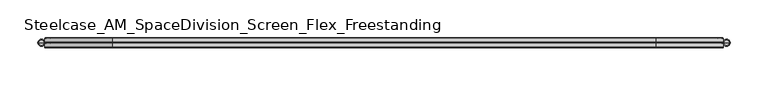
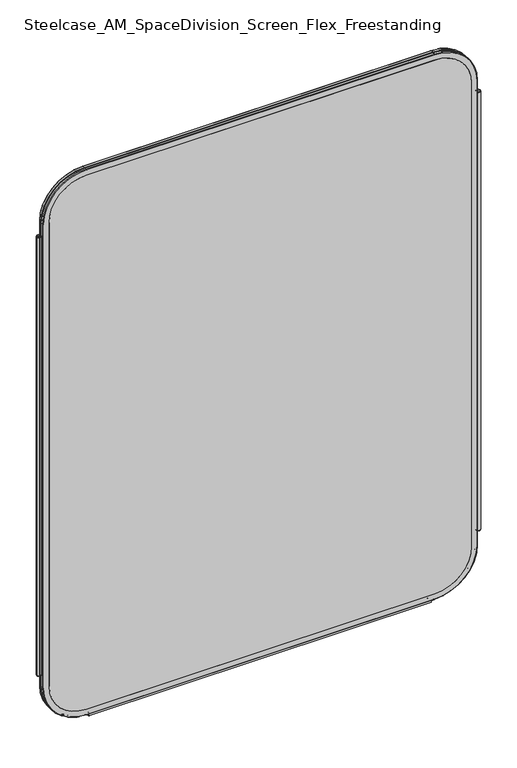
"""IFC4 building model written with IfcOpenShell, lengths in millimetres: furniture geometry, Steelcase_AM_SpaceDivision_Screen_Flex_Freestanding."""

from ifc_helpers import new_model, si_unit, point, frame, frame_2d, origin, place, context, project, spatial, polyline, circle_curve, ellipse_curve, trimmed, segment, composite_curve, outline, extrude, source, transform, mapped, element, save
from ifc_brep_helpers import plane_surface, cylinder_surface, revolved_surface, advanced_brep


def steelcase_am_spacedivision_screen_flex_freestanding_eec10b04(model_context):
    return source(origin(), model_context, "Body", "SolidModel", [
        advanced_brep(
        [(913.13, 0.0, 1078.23), (906.5294661, 0.0, 1078.23), (909.829733, 0.0, 1078.23), (914.4, 0.0, 1076.96), (905.2594661, 0.0, 1076.96), (914.4, 0.0, 121.92), (905.2594661, 0.0, 121.92), (913.13, 0.0, 120.65), (906.5294661, 0.0, 120.65), (909.829733, 0.0, 120.65)],
        [
            (0, 1, circle_curve(frame((909.829733, 0.0, 1078.23), z_axis=(0.0, 0.0, 1.0), x_axis=(-1.0, 0.0, 0.0)), 3.300267)),
            (1, 2),
            (2, 0),
            (1, 0, circle_curve(frame((909.829733, 0.0, 1078.23), z_axis=(0.0, 0.0, 1.0), x_axis=(-1.0, 0.0, 0.0)), 3.300267)),
            (3, 4, circle_curve(frame((909.829733, 0.0, 1076.96), z_axis=(0.0, 0.0, 1.0), x_axis=(-1.0, 0.0, 0.0)), 4.570267)),
            (4, 1, circle_curve(frame((906.5294661, 0.0, 1076.96), z_axis=(0.0, 1.0, 0.0), x_axis=(1.0, 0.0, 0.0)), 1.27)),
            (0, 3, circle_curve(frame((913.13, 0.0, 1076.96), z_axis=(0.0, 1.0, 0.0), x_axis=(-1.0, 0.0, 0.0)), 1.27)),
            (4, 3, circle_curve(frame((909.829733, 0.0, 1076.96), z_axis=(0.0, 0.0, 1.0), x_axis=(-1.0, 0.0, 0.0)), 4.570267)),
            (5, 6, circle_curve(frame((909.829733, 0.0, 121.92), z_axis=(0.0, 0.0, 1.0), x_axis=(-1.0, 0.0, 0.0)), 4.570267)),
            (6, 4),
            (3, 5),
            (6, 5, circle_curve(frame((909.829733, 0.0, 121.92), z_axis=(0.0, 0.0, 1.0), x_axis=(-1.0, 0.0, 0.0)), 4.570267)),
            (7, 8, circle_curve(frame((909.829733, 0.0, 120.65), z_axis=(0.0, 0.0, 1.0), x_axis=(-1.0, 0.0, 0.0)), 3.300267)),
            (8, 6, circle_curve(frame((906.5294661, 0.0, 121.92), z_axis=(0.0, 1.0, 0.0), x_axis=(1.0, 0.0, 0.0)), 1.27)),
            (5, 7, circle_curve(frame((913.13, 0.0, 121.92), z_axis=(0.0, 1.0, 0.0), x_axis=(-1.0, 0.0, 0.0)), 1.27)),
            (8, 7, circle_curve(frame((909.829733, 0.0, 120.65), z_axis=(0.0, 0.0, 1.0), x_axis=(-1.0, 0.0, 0.0)), 3.300267)),
            (9, 8),
            (7, 9),
        ],
        [
            plane_surface(frame((909.829733, 0.0, 1078.23), z_axis=(0.0, 0.0, 1.0), x_axis=(-1.0, 0.0, 0.0))),
            revolved_surface(trimmed(ellipse_curve(frame((906.5294661, 0.0, 1076.96), z_axis=(0.0, -1.0, 0.0), x_axis=(1.0, 0.0, 0.0)), 1.27, 1.27), [point((906.5294661, 0.0, 1078.23))], [point((905.2594661, 0.0, 1076.96))], True, "CARTESIAN"), (909.829733, 0.0, 112.3021634), (0.0, 0.0, -1.0)),
            cylinder_surface(frame((909.829733, 0.0, 112.3021634), z_axis=(0.0, 0.0, -1.0), x_axis=(-1.0, 0.0, 0.0)), 4.570267),
            revolved_surface(trimmed(ellipse_curve(frame((906.5294661, 0.0, 121.92), z_axis=(0.0, -1.0, 0.0), x_axis=(1.0, 0.0, 0.0)), 1.27, 1.27), [point((905.2594661, 0.0, 121.92))], [point((906.5294661, 0.0, 120.65))], True, "CARTESIAN"), (909.829733, 0.0, 112.3021634), (0.0, 0.0, -1.0)),
            plane_surface(frame((909.829733, 0.0, 120.65), z_axis=(0.0, 0.0, -1.0), x_axis=(-1.0, 0.0, 0.0))),
        ],
        [
            (0, [[1, 2, 3]]),
            (0, [[4, -3, -2]]),
            (1, [[5, 6, -1, 7]]),
            (1, [[8, -7, -4, -6]]),
            (2, [[9, 10, -5, 11]]),
            (2, [[12, -11, -8, -10]]),
            (3, [[13, 14, -9, 15]]),
            (3, [[16, -15, -12, -14]]),
            (4, [[17, -13, 18]]),
            (4, [[-18, -16, -17]]),
        ],
    ),
        advanced_brep(
        [(7.9329041, 0.0, 120.65), (1.232448, 0.0, 120.65), (0.0, 0.0, 121.882448), (9.1653521, 0.0, 121.882448), (4.582676, 0.0, 120.65), (7.8953521, 0.0, 1078.23), (1.27, 0.0, 1078.23), (4.582676, 0.0, 1078.23), (9.1653521, 0.0, 1076.96), (0.0, 0.0, 1076.96)],
        [
            (0, 1, circle_curve(frame((4.582676, 0.0, 120.65), z_axis=(0.0, 0.0, 1.0), x_axis=(-1.0, 0.0, 0.0)), 3.3502281)),
            (1, 2, circle_curve(frame((1.232448, 0.0, 121.882448), z_axis=(0.0, 1.0, 0.0), x_axis=(1.0, 0.0, 0.0)), 1.232448)),
            (2, 3, circle_curve(frame((4.582676, 0.0, 121.882448), z_axis=(0.0, 0.0, -1.0), x_axis=(-1.0, 0.0, 0.0)), 4.582676)),
            (3, 0, circle_curve(frame((7.9329041, 0.0, 121.882448), z_axis=(0.0, 1.0, 0.0), x_axis=(-1.0, 0.0, 0.0)), 1.232448)),
            (1, 0, circle_curve(frame((4.582676, 0.0, 120.65), z_axis=(0.0, 0.0, 1.0), x_axis=(-1.0, 0.0, 0.0)), 3.3502281)),
            (3, 2, circle_curve(frame((4.582676, 0.0, 121.882448), z_axis=(0.0, 0.0, -1.0), x_axis=(-1.0, 0.0, 0.0)), 4.582676)),
            (4, 1),
            (0, 4),
            (5, 6, circle_curve(frame((4.582676, 0.0, 1078.23), z_axis=(0.0, 0.0, 1.0), x_axis=(-1.0, 0.0, 0.0)), 3.312676)),
            (6, 7),
            (7, 5),
            (6, 5, circle_curve(frame((4.582676, 0.0, 1078.23), z_axis=(0.0, 0.0, 1.0), x_axis=(-1.0, 0.0, 0.0)), 3.312676)),
            (8, 9, circle_curve(frame((4.582676, 0.0, 1076.96), z_axis=(0.0, 0.0, 1.0), x_axis=(-1.0, 0.0, 0.0)), 4.582676)),
            (9, 6, circle_curve(frame((1.27, 0.0, 1076.96), z_axis=(0.0, 1.0, 0.0), x_axis=(1.0, 0.0, 0.0)), 1.27)),
            (5, 8, circle_curve(frame((7.8953521, 0.0, 1076.96), z_axis=(0.0, 1.0, 0.0), x_axis=(-1.0, 0.0, 0.0)), 1.27)),
            (9, 8, circle_curve(frame((4.582676, 0.0, 1076.96), z_axis=(0.0, 0.0, 1.0), x_axis=(-1.0, 0.0, 0.0)), 4.582676)),
            (2, 9),
            (8, 3),
        ],
        [
            revolved_surface(trimmed(ellipse_curve(frame((1.232448, 0.0, 121.882448), z_axis=(0.0, -1.0, 0.0), x_axis=(1.0, 0.0, 0.0)), 1.232448, 1.232448), [point((0.0, 0.0, 121.882448))], [point((1.232448, 0.0, 120.65))], True, "CARTESIAN"), (4.582676, 0.0, 110.6453157), (0.0, 0.0, -1.0)),
            plane_surface(frame((4.582676, 0.0, 120.65), z_axis=(0.0, 0.0, -1.0), x_axis=(-1.0, 0.0, 0.0))),
            plane_surface(frame((4.582676, 0.0, 1078.23), z_axis=(0.0, 0.0, 1.0), x_axis=(-1.0, 0.0, 0.0))),
            revolved_surface(trimmed(ellipse_curve(frame((1.27, 0.0, 1076.96), z_axis=(0.0, -1.0, 0.0), x_axis=(1.0, 0.0, 0.0)), 1.27, 1.27), [point((1.27, 0.0, 1078.23))], [point((0.0, 0.0, 1076.96))], True, "CARTESIAN"), (4.582676, 0.0, 110.6453157), (0.0, 0.0, -1.0)),
            cylinder_surface(frame((4.582676, 0.0, 110.6453157), z_axis=(0.0, 0.0, -1.0), x_axis=(-1.0, 0.0, 0.0)), 4.582676),
        ],
        [
            (0, [[1, 2, 3, 4]]),
            (0, [[5, -4, 6, -2]]),
            (1, [[7, -1, 8]]),
            (1, [[-8, -5, -7]]),
            (2, [[9, 10, 11]]),
            (2, [[12, -11, -10]]),
            (3, [[13, 14, -9, 15]]),
            (3, [[16, -15, -12, -14]]),
            (4, [[-3, 17, -13, 18]]),
            (4, [[-6, -18, -16, -17]]),
        ],
    ),
        extrude(outline(composite_curve([segment(trimmed(circle_curve(frame_2d((3.5, 2.4751953)), 2.5), [point((3.5, 4.9751953))], [point((1.4656663, 1.0220998))], False, "CARTESIAN"), True, "CONTINUOUS"), segment(trimmed(circle_curve(frame_2d((0.0, -0.0248047)), 1.8011626), [point((1.4656663, 1.0220998))], [point((-1.4656663, 1.0220998))], True, "CARTESIAN"), True, "CONTINUOUS"), segment(trimmed(circle_curve(frame_2d((-3.5, 2.4751953)), 2.5), [point((-1.4656663, 1.0220998))], [point((-3.5, 4.9751953))], False, "CARTESIAN"), True, "CONTINUOUS"), segment(trimmed(circle_curve(frame_2d((-3.5, 4.4751953)), 0.5), [point((-3.5, 4.9751953))], [point((-3.5, 3.9751953))], False, "CARTESIAN"), True, "CONTINUOUS"), segment(trimmed(circle_curve(frame_2d((-3.5, 2.4751953)), 1.5), [point((-3.5, 3.9751953))], [point((-2.3025096, 1.5718589))], True, "CARTESIAN"), True, "CONTINUOUS"), segment(trimmed(circle_curve(frame_2d((-10.3325937, 7.629417)), 10.0586411), [point((-2.3025096, 1.5718589))], [point((-0.714976, 4.6836248))], True, "CARTESIAN"), True, "CONTINUOUS"), segment(trimmed(circle_curve(frame_2d((0.0, 4.4646339)), 0.7477618), [point((-0.714976, 4.6836248))], [point((0.714976, 4.6836248))], False, "CARTESIAN"), True, "CONTINUOUS"), segment(trimmed(circle_curve(frame_2d((10.3325937, 7.629417)), 10.0586411), [point((0.714976, 4.6836248))], [point((2.3025096, 1.5718589))], True, "CARTESIAN"), True, "CONTINUOUS"), segment(trimmed(circle_curve(frame_2d((3.5, 2.4751953)), 1.5), [point((2.3025096, 1.5718589))], [point((3.5, 3.9751953))], True, "CARTESIAN"), True, "CONTINUOUS"), segment(trimmed(circle_curve(frame_2d((3.5, 4.4751953)), 0.5), [point((3.5, 3.9751953))], [point((3.5, 4.9751953))], False, "CARTESIAN"), True, "CONTINUOUS")], self_intersect=False)), frame((104.1640108, 0.0, 0.0), z_axis=(1.0, 0.0, 0.0), x_axis=(0.0, 1.0, 0.0)), (0.0, 0.0, 1.0), 706.0719784),
        extrude(outline(composite_curve([segment(trimmed(circle_curve(frame_2d((1104.9, 816.3594661)), 76.2), [point((1104.9, 892.5594661))], [point((1181.1, 816.3594661))], False, "CARTESIAN"), True, "CONTINUOUS"), segment(polyline([(1181.1, 816.3594661), (1181.1, 98.0653521)]), True, "CONTINUOUS"), segment(trimmed(circle_curve(frame_2d((1104.9, 98.0653521)), 76.2), [point((1181.1, 98.0653521))], [point((1104.9, 21.8653521))], False, "CARTESIAN"), True, "CONTINUOUS"), segment(polyline([(1104.9, 21.8653521), (93.8996464, 21.8653521)]), True, "CONTINUOUS"), segment(trimmed(circle_curve(frame_2d((93.8996464, 98.0653521)), 76.2), [point((93.8996464, 21.8653521))], [point((17.6996464, 98.0653521))], False, "CARTESIAN"), True, "CONTINUOUS"), segment(polyline([(17.6996464, 98.0653521), (17.6996464, 816.3594661)]), True, "CONTINUOUS"), segment(trimmed(circle_curve(frame_2d((93.8996464, 816.3594661)), 76.2), [point((17.6996464, 816.3594661))], [point((93.8996464, 892.5594661))], False, "CARTESIAN"), True, "CONTINUOUS"), segment(polyline([(93.8996464, 892.5594661), (1104.9, 892.5594661)]), True, "CONTINUOUS")], self_intersect=False)), frame((0.0, -6.477, 0.0), z_axis=(0.0, 1.0, 0.0), x_axis=(0.0, 0.0, 1.0)), (0.0, 0.0, 1.0), 12.954),
        advanced_brep(
        [(98.0653521, -6.477, 1181.1), (21.8653521, -6.477, 1104.9), (21.8653521, 6.477, 1104.9), (98.0653521, 6.477, 1181.1), (98.0653521, -5.715, 1193.8), (9.1653521, -5.715, 1104.9), (9.9273521, -6.477, 1104.9), (98.0653521, -6.477, 1193.038), (98.0653521, -0.8129491, 1193.8), (9.1653521, -0.8129491, 1104.9), (98.0653521, 0.0, 1193.2093579), (9.7559942, 0.0, 1104.9), (98.0653521, 0.8129491, 1193.8), (9.1653521, 0.8129491, 1104.9), (98.0653521, 5.715, 1193.8), (9.1653521, 5.715, 1104.9), (98.0653521, 6.477, 1193.038), (9.9273521, 6.477, 1104.9), (816.3594661, 6.477, 1181.1), (816.3594661, -6.477, 1181.1), (816.3594661, -6.477, 1193.038), (816.3594661, -5.715, 1193.8), (816.3594661, -0.8129491, 1193.8), (816.3594661, 0.0, 1193.2093579), (816.3594661, 0.8129491, 1193.8), (816.3594661, 5.715, 1193.8), (816.3594661, 6.477, 1193.038), (892.5594661, -6.477, 1104.9), (892.5594661, 6.477, 1104.9), (905.2594661, -5.715, 1104.9), (904.4974661, -6.477, 1104.9), (905.2594661, -0.8129491, 1104.9), (904.6688239, 0.0, 1104.9), (905.2594661, 0.8129491, 1104.9), (905.2594661, 5.715, 1104.9), (904.4974661, 6.477, 1104.9), (892.5594661, 6.477, 93.8996464), (892.5594661, -6.477, 93.8996464), (904.4974661, -6.477, 93.8996464), (905.2594661, -5.715, 93.8996464), (905.2594661, -0.8129491, 93.8996464), (904.6688239, 0.0, 93.8996464), (905.2594661, 0.8129491, 93.8996464), (905.2594661, 5.715, 93.8996464), (904.4974661, 6.477, 93.8996464), (816.3594661, -6.477, 17.6996464), (816.3594661, 6.477, 17.6996464), (816.3594661, -5.715, 4.9996464), (816.3594661, -6.477, 5.7616464), (816.3594661, -0.8129491, 4.9996464), (816.3594661, 0.0, 5.5902885), (816.3594661, 0.8129491, 4.9996464), (816.3594661, 5.715, 4.9996464), (816.3594661, 6.477, 5.7616464), (98.0653521, 6.477, 17.6996464), (98.0653521, -6.477, 17.6996464), (98.0653521, -6.477, 5.7616464), (98.0653521, -5.715, 4.9996464), (98.0653521, -0.8129491, 4.9996464), (98.0653521, 0.0, 5.5902885), (98.0653521, 0.8129491, 4.9996464), (98.0653521, 5.715, 4.9996464), (98.0653521, 6.477, 5.7616464), (21.8653521, -6.477, 93.8996464), (21.8653521, 6.477, 93.8996464), (9.1653521, -5.715, 93.8996464), (9.9273521, -6.477, 93.8996464), (9.1653521, -0.8129491, 93.8996464), (9.7559942, 0.0, 93.8996464), (9.1653521, 0.8129491, 93.8996464), (9.1653521, 5.715, 93.8996464), (9.9273521, 6.477, 93.8996464)],
        [
            (0, 1, circle_curve(frame((98.0653521, -6.477, 1104.9), z_axis=(0.0, -1.0, 0.0), x_axis=(-1.0, 0.0, 0.0)), 76.2)),
            (1, 2),
            (2, 3, circle_curve(frame((98.0653521, 6.477, 1104.9), z_axis=(0.0, 1.0, 0.0), x_axis=(-1.0, 0.0, 0.0)), 76.2)),
            (3, 0),
            (4, 5, circle_curve(frame((98.0653521, -5.715, 1104.9), z_axis=(0.0, -1.0, 0.0), x_axis=(-1.0, 0.0, 0.0)), 88.9)),
            (5, 6, circle_curve(frame((9.9273521, -5.715, 1104.9), z_axis=(0.0, 0.0, 1.0), x_axis=(-1.0, 0.0, 0.0)), 0.762)),
            (6, 7, circle_curve(frame((98.0653521, -6.477, 1104.9), z_axis=(0.0, 1.0, 0.0), x_axis=(-1.0, 0.0, 0.0)), 88.138)),
            (7, 4, circle_curve(frame((98.0653521, -5.715, 1193.038), z_axis=(-1.0, 0.0, 0.0), x_axis=(0.0, 0.0, 1.0)), 0.762)),
            (8, 9, circle_curve(frame((98.0653521, -0.8129491, 1104.9), z_axis=(0.0, -1.0, 0.0), x_axis=(-1.0, 0.0, 0.0)), 88.9)),
            (9, 5),
            (4, 8),
            (10, 11, circle_curve(frame((98.0653521, 0.0, 1104.9), z_axis=(0.0, -1.0, 0.0), x_axis=(-1.0, 0.0, 0.0)), 88.3093579)),
            (11, 9, circle_curve(frame((10.0201374, -0.8129491, 1104.9), z_axis=(0.0, 0.0, 1.0), x_axis=(-1.0, 0.0, 0.0)), 0.8547853)),
            (8, 10, circle_curve(frame((98.0653521, -0.8129491, 1192.9452147), z_axis=(-1.0, 0.0, 0.0), x_axis=(0.0, 0.0, 1.0)), 0.8547853)),
            (12, 13, circle_curve(frame((98.0653521, 0.8129491, 1104.9), z_axis=(0.0, -1.0, 0.0), x_axis=(-1.0, 0.0, 0.0)), 88.9)),
            (13, 11, circle_curve(frame((10.0201374, 0.8129491, 1104.9), z_axis=(0.0, 0.0, 1.0), x_axis=(-1.0, 0.0, 0.0)), 0.8547853)),
            (10, 12, circle_curve(frame((98.0653521, 0.8129491, 1192.9452147), z_axis=(-1.0, 0.0, 0.0), x_axis=(0.0, 0.0, 1.0)), 0.8547853)),
            (14, 15, circle_curve(frame((98.0653521, 5.715, 1104.9), z_axis=(0.0, -1.0, 0.0), x_axis=(-1.0, 0.0, 0.0)), 88.9)),
            (15, 13),
            (12, 14),
            (16, 17, circle_curve(frame((98.0653521, 6.477, 1104.9), z_axis=(0.0, -1.0, 0.0), x_axis=(-1.0, 0.0, 0.0)), 88.138)),
            (17, 15, circle_curve(frame((9.9273521, 5.715, 1104.9), z_axis=(0.0, 0.0, 1.0), x_axis=(-1.0, 0.0, 0.0)), 0.762)),
            (14, 16, circle_curve(frame((98.0653521, 5.715, 1193.038), z_axis=(-1.0, 0.0, 0.0), x_axis=(0.0, 0.0, 1.0)), 0.762)),
            (3, 18),
            (18, 19),
            (19, 0),
            (7, 20),
            (20, 21, circle_curve(frame((816.3594661, -5.715, 1193.038), z_axis=(-1.0, 0.0, 0.0), x_axis=(0.0, 0.0, 1.0)), 0.762)),
            (21, 4),
            (21, 22),
            (22, 8),
            (22, 23, circle_curve(frame((816.3594661, -0.8129491, 1192.9452147), z_axis=(-1.0, 0.0, 0.0), x_axis=(0.0, 0.0, 1.0)), 0.8547853)),
            (23, 10),
            (23, 24, circle_curve(frame((816.3594661, 0.8129491, 1192.9452147), z_axis=(-1.0, 0.0, 0.0), x_axis=(0.0, 0.0, 1.0)), 0.8547853)),
            (24, 12),
            (24, 25),
            (25, 14),
            (25, 26, circle_curve(frame((816.3594661, 5.715, 1193.038), z_axis=(-1.0, 0.0, 0.0), x_axis=(0.0, 0.0, 1.0)), 0.762)),
            (26, 16),
            (27, 19, circle_curve(frame((816.3594661, -6.477, 1104.9), z_axis=(0.0, -1.0, 0.0), x_axis=(0.0, 0.0, 1.0)), 76.2)),
            (18, 28, circle_curve(frame((816.3594661, 6.477, 1104.9), z_axis=(0.0, 1.0, 0.0), x_axis=(0.0, 0.0, 1.0)), 76.2)),
            (28, 27),
            (29, 21, circle_curve(frame((816.3594661, -5.715, 1104.9), z_axis=(0.0, -1.0, 0.0), x_axis=(0.0, 0.0, 1.0)), 88.9)),
            (20, 30, circle_curve(frame((816.3594661, -6.477, 1104.9), z_axis=(0.0, 1.0, 0.0), x_axis=(0.0, 0.0, 1.0)), 88.138)),
            (30, 29, circle_curve(frame((904.4974661, -5.715, 1104.9), z_axis=(0.0, 0.0, 1.0), x_axis=(1.0, 0.0, 0.0)), 0.762)),
            (31, 22, circle_curve(frame((816.3594661, -0.8129491, 1104.9), z_axis=(0.0, -1.0, 0.0), x_axis=(0.0, 0.0, 1.0)), 88.9)),
            (29, 31),
            (32, 23, circle_curve(frame((816.3594661, 0.0, 1104.9), z_axis=(0.0, -1.0, 0.0), x_axis=(0.0, 0.0, 1.0)), 88.3093579)),
            (31, 32, circle_curve(frame((904.4046808, -0.8129491, 1104.9), z_axis=(0.0, 0.0, 1.0), x_axis=(1.0, 0.0, 0.0)), 0.8547853)),
            (33, 24, circle_curve(frame((816.3594661, 0.8129491, 1104.9), z_axis=(0.0, -1.0, 0.0), x_axis=(0.0, 0.0, 1.0)), 88.9)),
            (32, 33, circle_curve(frame((904.4046808, 0.8129491, 1104.9), z_axis=(0.0, 0.0, 1.0), x_axis=(1.0, 0.0, 0.0)), 0.8547853)),
            (34, 25, circle_curve(frame((816.3594661, 5.715, 1104.9), z_axis=(0.0, -1.0, 0.0), x_axis=(0.0, 0.0, 1.0)), 88.9)),
            (33, 34),
            (35, 26, circle_curve(frame((816.3594661, 6.477, 1104.9), z_axis=(0.0, -1.0, 0.0), x_axis=(0.0, 0.0, 1.0)), 88.138)),
            (34, 35, circle_curve(frame((904.4974661, 5.715, 1104.9), z_axis=(0.0, 0.0, 1.0), x_axis=(1.0, 0.0, 0.0)), 0.762)),
            (28, 36),
            (36, 37),
            (37, 27),
            (30, 38),
            (38, 39, circle_curve(frame((904.4974661, -5.715, 93.8996464), z_axis=(0.0, 0.0, 1.0), x_axis=(1.0, 0.0, 0.0)), 0.762)),
            (39, 29),
            (39, 40),
            (40, 31),
            (40, 41, circle_curve(frame((904.4046808, -0.8129491, 93.8996464), z_axis=(0.0, 0.0, 1.0), x_axis=(1.0, 0.0, 0.0)), 0.8547853)),
            (41, 32),
            (41, 42, circle_curve(frame((904.4046808, 0.8129491, 93.8996464), z_axis=(0.0, 0.0, 1.0), x_axis=(1.0, 0.0, 0.0)), 0.8547853)),
            (42, 33),
            (42, 43),
            (43, 34),
            (43, 44, circle_curve(frame((904.4974661, 5.715, 93.8996464), z_axis=(0.0, 0.0, 1.0), x_axis=(1.0, 0.0, 0.0)), 0.762)),
            (44, 35),
            (45, 37, circle_curve(frame((816.3594661, -6.477, 93.8996464), z_axis=(0.0, -1.0, 0.0), x_axis=(1.0, 0.0, 0.0)), 76.2)),
            (36, 46, circle_curve(frame((816.3594661, 6.477, 93.8996464), z_axis=(0.0, 1.0, 0.0), x_axis=(1.0, 0.0, 0.0)), 76.2)),
            (46, 45),
            (47, 39, circle_curve(frame((816.3594661, -5.715, 93.8996464), z_axis=(0.0, -1.0, 0.0), x_axis=(1.0, 0.0, 0.0)), 88.9)),
            (38, 48, circle_curve(frame((816.3594661, -6.477, 93.8996464), z_axis=(0.0, 1.0, 0.0), x_axis=(1.0, 0.0, 0.0)), 88.138)),
            (48, 47, circle_curve(frame((816.3594661, -5.715, 5.7616464), z_axis=(1.0, 0.0, 0.0), x_axis=(0.0, 0.0, -1.0)), 0.762)),
            (49, 40, circle_curve(frame((816.3594661, -0.8129491, 93.8996464), z_axis=(0.0, -1.0, 0.0), x_axis=(1.0, 0.0, 0.0)), 88.9)),
            (47, 49),
            (50, 41, circle_curve(frame((816.3594661, 0.0, 93.8996464), z_axis=(0.0, -1.0, 0.0), x_axis=(1.0, 0.0, 0.0)), 88.3093579)),
            (49, 50, circle_curve(frame((816.3594661, -0.8129491, 5.8544317), z_axis=(1.0, 0.0, 0.0), x_axis=(0.0, 0.0, -1.0)), 0.8547853)),
            (51, 42, circle_curve(frame((816.3594661, 0.8129491, 93.8996464), z_axis=(0.0, -1.0, 0.0), x_axis=(1.0, 0.0, 0.0)), 88.9)),
            (50, 51, circle_curve(frame((816.3594661, 0.8129491, 5.8544317), z_axis=(1.0, 0.0, 0.0), x_axis=(0.0, 0.0, -1.0)), 0.8547853)),
            (52, 43, circle_curve(frame((816.3594661, 5.715, 93.8996464), z_axis=(0.0, -1.0, 0.0), x_axis=(1.0, 0.0, 0.0)), 88.9)),
            (51, 52),
            (53, 44, circle_curve(frame((816.3594661, 6.477, 93.8996464), z_axis=(0.0, -1.0, 0.0), x_axis=(1.0, 0.0, 0.0)), 88.138)),
            (52, 53, circle_curve(frame((816.3594661, 5.715, 5.7616464), z_axis=(1.0, 0.0, 0.0), x_axis=(0.0, 0.0, -1.0)), 0.762)),
            (46, 54),
            (54, 55),
            (55, 45),
            (48, 56),
            (56, 57, circle_curve(frame((98.0653521, -5.715, 5.7616464), z_axis=(1.0, 0.0, 0.0), x_axis=(0.0, 0.0, -1.0)), 0.762)),
            (57, 47),
            (57, 58),
            (58, 49),
            (58, 59, circle_curve(frame((98.0653521, -0.8129491, 5.8544317), z_axis=(1.0, 0.0, 0.0), x_axis=(0.0, 0.0, -1.0)), 0.8547853)),
            (59, 50),
            (59, 60, circle_curve(frame((98.0653521, 0.8129491, 5.8544317), z_axis=(1.0, 0.0, 0.0), x_axis=(0.0, 0.0, -1.0)), 0.8547853)),
            (60, 51),
            (60, 61),
            (61, 52),
            (61, 62, circle_curve(frame((98.0653521, 5.715, 5.7616464), z_axis=(1.0, 0.0, 0.0), x_axis=(0.0, 0.0, -1.0)), 0.762)),
            (62, 53),
            (63, 55, circle_curve(frame((98.0653521, -6.477, 93.8996464), z_axis=(0.0, -1.0, 0.0), x_axis=(0.0, 0.0, -1.0)), 76.2)),
            (54, 64, circle_curve(frame((98.0653521, 6.477, 93.8996464), z_axis=(0.0, 1.0, 0.0), x_axis=(0.0, 0.0, -1.0)), 76.2)),
            (64, 63),
            (65, 57, circle_curve(frame((98.0653521, -5.715, 93.8996464), z_axis=(0.0, -1.0, 0.0), x_axis=(0.0, 0.0, -1.0)), 88.9)),
            (56, 66, circle_curve(frame((98.0653521, -6.477, 93.8996464), z_axis=(0.0, 1.0, 0.0), x_axis=(0.0, 0.0, -1.0)), 88.138)),
            (66, 65, circle_curve(frame((9.9273521, -5.715, 93.8996464), z_axis=(0.0, 0.0, -1.0), x_axis=(-1.0, 0.0, 0.0)), 0.762)),
            (67, 58, circle_curve(frame((98.0653521, -0.8129491, 93.8996464), z_axis=(0.0, -1.0, 0.0), x_axis=(0.0, 0.0, -1.0)), 88.9)),
            (65, 67),
            (68, 59, circle_curve(frame((98.0653521, 0.0, 93.8996464), z_axis=(0.0, -1.0, 0.0), x_axis=(0.0, 0.0, -1.0)), 88.3093579)),
            (67, 68, circle_curve(frame((10.0201374, -0.8129491, 93.8996464), z_axis=(0.0, 0.0, -1.0), x_axis=(-1.0, 0.0, 0.0)), 0.8547853)),
            (69, 60, circle_curve(frame((98.0653521, 0.8129491, 93.8996464), z_axis=(0.0, -1.0, 0.0), x_axis=(0.0, 0.0, -1.0)), 88.9)),
            (68, 69, circle_curve(frame((10.0201374, 0.8129491, 93.8996464), z_axis=(0.0, 0.0, -1.0), x_axis=(-1.0, 0.0, 0.0)), 0.8547853)),
            (70, 61, circle_curve(frame((98.0653521, 5.715, 93.8996464), z_axis=(0.0, -1.0, 0.0), x_axis=(0.0, 0.0, -1.0)), 88.9)),
            (69, 70),
            (71, 62, circle_curve(frame((98.0653521, 6.477, 93.8996464), z_axis=(0.0, -1.0, 0.0), x_axis=(0.0, 0.0, -1.0)), 88.138)),
            (70, 71, circle_curve(frame((9.9273521, 5.715, 93.8996464), z_axis=(0.0, 0.0, -1.0), x_axis=(-1.0, 0.0, 0.0)), 0.762)),
            (64, 2),
            (1, 63),
            (6, 66),
            (5, 65),
            (9, 67),
            (11, 68),
            (13, 69),
            (15, 70),
            (17, 71),
        ],
        [
            revolved_surface(polyline([(21.865352099999996, 6.477, 1104.9), (21.865352099999996, -6.477, 1104.9)]), (98.0653521, 0.0, 1104.9), (0.0, 1.0, 0.0)),
            revolved_surface(trimmed(ellipse_curve(frame((9.9273521, -5.715, 1104.9), z_axis=(0.0, 0.0, -1.0), x_axis=(-1.0, 0.0, 0.0)), 0.762, 0.762), [point((9.9273521, -6.477, 1104.9))], [point((9.1653521, -5.715, 1104.9))], True, "CARTESIAN"), (98.0653521, 0.0, 1104.9), (0.0, 1.0, 0.0)),
            cylinder_surface(frame((98.0653521, 0.0, 1104.9), z_axis=(0.0, 1.0, 0.0), x_axis=(-1.0, 0.0, 0.0)), 88.9),
            revolved_surface(trimmed(ellipse_curve(frame((10.0201374, -0.8129491, 1104.9), z_axis=(0.0, 0.0, -1.0), x_axis=(-1.0, 0.0, 0.0)), 0.8547853, 0.8547853), [point((9.1653521, -0.8129491, 1104.9))], [point((9.7559942, 0.0, 1104.9))], True, "CARTESIAN"), (98.0653521, 0.0, 1104.9), (0.0, 1.0, 0.0)),
            revolved_surface(trimmed(ellipse_curve(frame((10.0201374, 0.8129491, 1104.9), z_axis=(0.0, 0.0, -1.0), x_axis=(-1.0, 0.0, 0.0)), 0.8547853, 0.8547853), [point((9.7559942, 0.0, 1104.9))], [point((9.1653521, 0.8129491, 1104.9))], True, "CARTESIAN"), (98.0653521, 0.0, 1104.9), (0.0, 1.0, 0.0)),
            revolved_surface(trimmed(ellipse_curve(frame((9.9273521, 5.715, 1104.9), z_axis=(0.0, 0.0, -1.0), x_axis=(-1.0, 0.0, 0.0)), 0.762, 0.762), [point((9.1653521, 5.715, 1104.9))], [point((9.9273521, 6.477, 1104.9))], True, "CARTESIAN"), (98.0653521, 0.0, 1104.9), (0.0, 1.0, 0.0)),
            plane_surface(frame((98.0653521, 6.477, 1181.1), z_axis=(0.0, 0.0, -1.0), x_axis=(1.0, 0.0, 0.0))),
            cylinder_surface(frame((98.0653521, -5.715, 1193.038), z_axis=(-1.0, 0.0, 0.0), x_axis=(0.0, 0.0, 1.0)), 0.762),
            plane_surface(frame((98.0653521, -5.715, 1193.8), z_axis=(0.0, 0.0, 1.0), x_axis=(1.0, 0.0, 0.0))),
            cylinder_surface(frame((98.0653521, -0.8129491, 1192.9452147), z_axis=(-1.0, 0.0, 0.0), x_axis=(0.0, 0.0, 1.0)), 0.8547853),
            cylinder_surface(frame((98.0653521, 0.8129491, 1192.9452147), z_axis=(-1.0, 0.0, 0.0), x_axis=(0.0, 0.0, 1.0)), 0.8547853),
            plane_surface(frame((98.0653521, 0.8129491, 1193.8), z_axis=(0.0, 0.0, 1.0), x_axis=(1.0, 0.0, 0.0))),
            cylinder_surface(frame((98.0653521, 5.715, 1193.038), z_axis=(-1.0, 0.0, 0.0), x_axis=(0.0, 0.0, 1.0)), 0.762),
            revolved_surface(polyline([(816.3594661, 6.477, 1181.1000000000001), (816.3594661, -6.477, 1181.1000000000001)]), (816.3594661, 0.0, 1104.9), (0.0, 1.0, 0.0)),
            revolved_surface(trimmed(ellipse_curve(frame((816.3594661, -5.715, 1193.038), z_axis=(-1.0, 0.0, 0.0), x_axis=(0.0, 0.0, 1.0)), 0.762, 0.762), [point((816.3594661, -6.477, 1193.038))], [point((816.3594661, -5.715, 1193.8))], True, "CARTESIAN"), (816.3594661, 0.0, 1104.9), (0.0, 1.0, 0.0)),
            cylinder_surface(frame((816.3594661, 0.0, 1104.9), z_axis=(0.0, 1.0, 0.0), x_axis=(0.0, 0.0, 1.0)), 88.9),
            revolved_surface(trimmed(ellipse_curve(frame((816.3594661, -0.8129491, 1192.9452147), z_axis=(-1.0, 0.0, 0.0), x_axis=(0.0, 0.0, 1.0)), 0.8547853, 0.8547853), [point((816.3594661, -0.8129491, 1193.8))], [point((816.3594661, 0.0, 1193.2093579))], True, "CARTESIAN"), (816.3594661, 0.0, 1104.9), (0.0, 1.0, 0.0)),
            revolved_surface(trimmed(ellipse_curve(frame((816.3594661, 0.8129491, 1192.9452147), z_axis=(-1.0, 0.0, 0.0), x_axis=(0.0, 0.0, 1.0)), 0.8547853, 0.8547853), [point((816.3594661, 0.0, 1193.2093579))], [point((816.3594661, 0.8129491, 1193.8))], True, "CARTESIAN"), (816.3594661, 0.0, 1104.9), (0.0, 1.0, 0.0)),
            revolved_surface(trimmed(ellipse_curve(frame((816.3594661, 5.715, 1193.038), z_axis=(-1.0, 0.0, 0.0), x_axis=(0.0, 0.0, 1.0)), 0.762, 0.762), [point((816.3594661, 5.715, 1193.8))], [point((816.3594661, 6.477, 1193.038))], True, "CARTESIAN"), (816.3594661, 0.0, 1104.9), (0.0, 1.0, 0.0)),
            plane_surface(frame((892.5594661, 6.477, 1104.9), z_axis=(-1.0, 0.0, 0.0), x_axis=(0.0, 0.0, -1.0))),
            cylinder_surface(frame((904.4974661, -5.715, 1104.9), z_axis=(0.0, 0.0, 1.0), x_axis=(1.0, 0.0, 0.0)), 0.762),
            plane_surface(frame((905.2594661, -5.715, 1104.9), z_axis=(1.0, 0.0, 0.0), x_axis=(0.0, 0.0, -1.0))),
            cylinder_surface(frame((904.4046808, -0.8129491, 1104.9), z_axis=(0.0, 0.0, 1.0), x_axis=(1.0, 0.0, 0.0)), 0.8547853),
            cylinder_surface(frame((904.4046808, 0.8129491, 1104.9), z_axis=(0.0, 0.0, 1.0), x_axis=(1.0, 0.0, 0.0)), 0.8547853),
            plane_surface(frame((905.2594661, 0.8129491, 1104.9), z_axis=(1.0, 0.0, 0.0), x_axis=(0.0, 0.0, -1.0))),
            cylinder_surface(frame((904.4974661, 5.715, 1104.9), z_axis=(0.0, 0.0, 1.0), x_axis=(1.0, 0.0, 0.0)), 0.762),
            revolved_surface(polyline([(892.5594661, 6.477, 93.8996464), (892.5594661, -6.477, 93.8996464)]), (816.3594661, 0.0, 93.8996464), (0.0, 1.0, 0.0)),
            revolved_surface(trimmed(ellipse_curve(frame((904.4974661, -5.715, 93.8996464), z_axis=(0.0, 0.0, 1.0), x_axis=(1.0, 0.0, 0.0)), 0.762, 0.762), [point((904.4974661, -6.477, 93.8996464))], [point((905.2594661, -5.715, 93.8996464))], True, "CARTESIAN"), (816.3594661, 0.0, 93.8996464), (0.0, 1.0, 0.0)),
            cylinder_surface(frame((816.3594661, 0.0, 93.8996464), z_axis=(0.0, 1.0, 0.0), x_axis=(1.0, 0.0, 0.0)), 88.9),
            revolved_surface(trimmed(ellipse_curve(frame((904.4046808, -0.8129491, 93.8996464), z_axis=(0.0, 0.0, 1.0), x_axis=(1.0, 0.0, 0.0)), 0.8547853, 0.8547853), [point((905.2594661, -0.8129491, 93.8996464))], [point((904.6688239, 0.0, 93.8996464))], True, "CARTESIAN"), (816.3594661, 0.0, 93.8996464), (0.0, 1.0, 0.0)),
            revolved_surface(trimmed(ellipse_curve(frame((904.4046808, 0.8129491, 93.8996464), z_axis=(0.0, 0.0, 1.0), x_axis=(1.0, 0.0, 0.0)), 0.8547853, 0.8547853), [point((904.6688239, 0.0, 93.8996464))], [point((905.2594661, 0.8129491, 93.8996464))], True, "CARTESIAN"), (816.3594661, 0.0, 93.8996464), (0.0, 1.0, 0.0)),
            revolved_surface(trimmed(ellipse_curve(frame((904.4974661, 5.715, 93.8996464), z_axis=(0.0, 0.0, 1.0), x_axis=(1.0, 0.0, 0.0)), 0.762, 0.762), [point((905.2594661, 5.715, 93.8996464))], [point((904.4974661, 6.477, 93.8996464))], True, "CARTESIAN"), (816.3594661, 0.0, 93.8996464), (0.0, 1.0, 0.0)),
            plane_surface(frame((816.3594661, 6.477, 17.6996464), z_axis=(0.0, 0.0, 1.0), x_axis=(-1.0, 0.0, 0.0))),
            cylinder_surface(frame((816.3594661, -5.715, 5.7616464), z_axis=(1.0, 0.0, 0.0), x_axis=(0.0, 0.0, -1.0)), 0.762),
            plane_surface(frame((816.3594661, -5.715, 4.9996464), z_axis=(0.0, 0.0, -1.0), x_axis=(-1.0, 0.0, 0.0))),
            cylinder_surface(frame((816.3594661, -0.8129491, 5.8544317), z_axis=(1.0, 0.0, 0.0), x_axis=(0.0, 0.0, -1.0)), 0.8547853),
            cylinder_surface(frame((816.3594661, 0.8129491, 5.8544317), z_axis=(1.0, 0.0, 0.0), x_axis=(0.0, 0.0, -1.0)), 0.8547853),
            plane_surface(frame((816.3594661, 0.8129491, 4.9996464), z_axis=(0.0, 0.0, -1.0), x_axis=(-1.0, 0.0, 0.0))),
            cylinder_surface(frame((816.3594661, 5.715, 5.7616464), z_axis=(1.0, 0.0, 0.0), x_axis=(0.0, 0.0, -1.0)), 0.762),
            revolved_surface(polyline([(98.0653521, 6.477, 17.699646399999992), (98.0653521, -6.477, 17.699646399999992)]), (98.0653521, 0.0, 93.8996464), (0.0, 1.0, 0.0)),
            revolved_surface(trimmed(ellipse_curve(frame((98.0653521, -5.715, 5.7616464), z_axis=(1.0, 0.0, 0.0), x_axis=(0.0, 0.0, -1.0)), 0.762, 0.762), [point((98.0653521, -6.477, 5.7616464))], [point((98.0653521, -5.715, 4.9996464))], True, "CARTESIAN"), (98.0653521, 0.0, 93.8996464), (0.0, 1.0, 0.0)),
            cylinder_surface(frame((98.0653521, 0.0, 93.8996464), z_axis=(0.0, 1.0, 0.0), x_axis=(0.0, 0.0, -1.0)), 88.9),
            revolved_surface(trimmed(ellipse_curve(frame((98.0653521, -0.8129491, 5.8544317), z_axis=(1.0, 0.0, 0.0), x_axis=(0.0, 0.0, -1.0)), 0.8547853, 0.8547853), [point((98.0653521, -0.8129491, 4.9996464))], [point((98.0653521, 0.0, 5.5902885))], True, "CARTESIAN"), (98.0653521, 0.0, 93.8996464), (0.0, 1.0, 0.0)),
            revolved_surface(trimmed(ellipse_curve(frame((98.0653521, 0.8129491, 5.8544317), z_axis=(1.0, 0.0, 0.0), x_axis=(0.0, 0.0, -1.0)), 0.8547853, 0.8547853), [point((98.0653521, 0.0, 5.5902885))], [point((98.0653521, 0.8129491, 4.9996464))], True, "CARTESIAN"), (98.0653521, 0.0, 93.8996464), (0.0, 1.0, 0.0)),
            revolved_surface(trimmed(ellipse_curve(frame((98.0653521, 5.715, 5.7616464), z_axis=(1.0, 0.0, 0.0), x_axis=(0.0, 0.0, -1.0)), 0.762, 0.762), [point((98.0653521, 5.715, 4.9996464))], [point((98.0653521, 6.477, 5.7616464))], True, "CARTESIAN"), (98.0653521, 0.0, 93.8996464), (0.0, 1.0, 0.0)),
            plane_surface(frame((21.8653521, 6.477, 93.8996464), z_axis=(1.0, 0.0, 0.0), x_axis=(0.0, 0.0, 1.0))),
            plane_surface(frame((21.8653521, -6.477, 93.8996464), z_axis=(0.0, -1.0, 0.0), x_axis=(0.0, 0.0, 1.0))),
            cylinder_surface(frame((9.9273521, -5.715, 93.8996464), z_axis=(0.0, 0.0, -1.0), x_axis=(-1.0, 0.0, 0.0)), 0.762),
            plane_surface(frame((9.1653521, -5.715, 93.8996464), z_axis=(-1.0, 0.0, 0.0), x_axis=(0.0, 0.0, 1.0))),
            cylinder_surface(frame((10.0201374, -0.8129491, 93.8996464), z_axis=(0.0, 0.0, -1.0), x_axis=(-1.0, 0.0, 0.0)), 0.8547853),
            cylinder_surface(frame((10.0201374, 0.8129491, 93.8996464), z_axis=(0.0, 0.0, -1.0), x_axis=(-1.0, 0.0, 0.0)), 0.8547853),
            plane_surface(frame((9.1653521, 0.8129491, 93.8996464), z_axis=(-1.0, 0.0, 0.0), x_axis=(0.0, 0.0, 1.0))),
            cylinder_surface(frame((9.9273521, 5.715, 93.8996464), z_axis=(0.0, 0.0, -1.0), x_axis=(-1.0, 0.0, 0.0)), 0.762),
            plane_surface(frame((9.9273521, 6.477, 93.8996464), z_axis=(0.0, 1.0, 0.0), x_axis=(0.0, 0.0, 1.0))),
        ],
        [
            (0, [[1, 2, 3, 4]]),
            (1, [[5, 6, 7, 8]]),
            (2, [[9, 10, -5, 11]]),
            (3, [[12, 13, -9, 14]]),
            (4, [[15, 16, -12, 17]]),
            (2, [[18, 19, -15, 20]]),
            (5, [[21, 22, -18, 23]]),
            (6, [[-4, 24, 25, 26]]),
            (7, [[-8, 27, 28, 29]]),
            (8, [[-11, -29, 30, 31]]),
            (9, [[-14, -31, 32, 33]]),
            (10, [[-17, -33, 34, 35]]),
            (11, [[-20, -35, 36, 37]]),
            (12, [[-23, -37, 38, 39]]),
            (13, [[40, -25, 41, 42]]),
            (14, [[43, -28, 44, 45]]),
            (15, [[46, -30, -43, 47]]),
            (16, [[48, -32, -46, 49]]),
            (17, [[50, -34, -48, 51]]),
            (15, [[52, -36, -50, 53]]),
            (18, [[54, -38, -52, 55]]),
            (19, [[-42, 56, 57, 58]]),
            (20, [[-45, 59, 60, 61]]),
            (21, [[-47, -61, 62, 63]]),
            (22, [[-49, -63, 64, 65]]),
            (23, [[-51, -65, 66, 67]]),
            (24, [[-53, -67, 68, 69]]),
            (25, [[-55, -69, 70, 71]]),
            (26, [[72, -57, 73, 74]]),
            (27, [[75, -60, 76, 77]]),
            (28, [[78, -62, -75, 79]]),
            (29, [[80, -64, -78, 81]]),
            (30, [[82, -66, -80, 83]]),
            (28, [[84, -68, -82, 85]]),
            (31, [[86, -70, -84, 87]]),
            (32, [[-74, 88, 89, 90]]),
            (33, [[-77, 91, 92, 93]]),
            (34, [[-79, -93, 94, 95]]),
            (35, [[-81, -95, 96, 97]]),
            (36, [[-83, -97, 98, 99]]),
            (37, [[-85, -99, 100, 101]]),
            (38, [[-87, -101, 102, 103]]),
            (39, [[104, -89, 105, 106]]),
            (40, [[107, -92, 108, 109]]),
            (41, [[110, -94, -107, 111]]),
            (42, [[112, -96, -110, 113]]),
            (43, [[114, -98, -112, 115]]),
            (41, [[116, -100, -114, 117]]),
            (44, [[118, -102, -116, 119]]),
            (45, [[-106, 120, -2, 121]]),
            (46, [[122, -108, -91, -76, -59, -44, -27, -7], [-90, -104, -121, -1, -26, -40, -58, -72]]),
            (47, [[-109, -122, -6, 123]]),
            (48, [[-111, -123, -10, 124]]),
            (49, [[-113, -124, -13, 125]]),
            (50, [[-115, -125, -16, 126]]),
            (51, [[-117, -126, -19, 127]]),
            (52, [[-119, -127, -22, 128]]),
            (53, [[-103, -118, -128, -21, -39, -54, -71, -86], [-120, -105, -88, -73, -56, -41, -24, -3]]),
        ],
    ),
    ])


if __name__ == "__main__":
    model = new_model("IFC4")
    model_context = context("Model", 3, world=origin())
    ifc_project = project(units=[si_unit("LENGTHUNIT", "METRE", prefix="MILLI")], contexts=[model_context])
    site = spatial("IfcSite", under=ifc_project)
    building = spatial("IfcBuilding", under=site)
    placement = place(None, origin())
    steelcase_am_spacedivision_screen_flex_freestanding_shape = steelcase_am_spacedivision_screen_flex_freestanding_eec10b04(model_context)
    element("IfcFurniture", 1, ObjectType="Steelcase_AM_SpaceDivision_Screen_Flex_Freestanding", at=placement, inside=building, context=model_context, shape_type="MappedRepresentation", body=[
        mapped(steelcase_am_spacedivision_screen_flex_freestanding_shape, transform((0.0, 0.0, 0.0), x_axis=(1.0, 0.0, 0.0), y_axis=(0.0, 1.0, 0.0), z_axis=(0.0, 0.0, 1.0))),
    ])
    save(model, "model.ifc")
